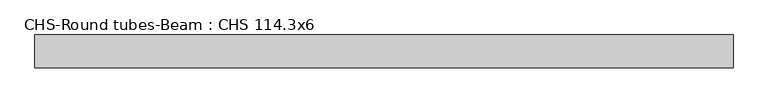
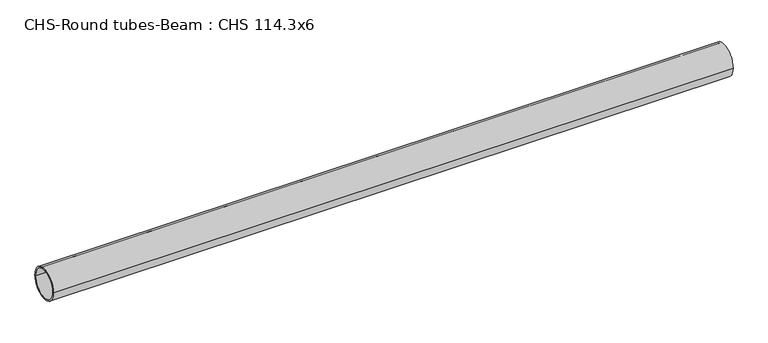
"""IFC4 building model written with IfcOpenShell, lengths in millimetres: beam geometry, CHS-Round tubes-Beam : CHS 114.3x6."""

from ifc_helpers import new_model, si_unit, point, frame, origin, origin_2d, place, context, project, spatial, circle_curve, trimmed, segment, composite_curve, outline, extrude, source, transform, mapped, element, save


def chs_round_tubes_beam_chs_114_3x6_02e6f198(model_context):
    return source(origin(), model_context, "Body", "SweptSolid", [
        extrude(outline(composite_curve([segment(trimmed(circle_curve(origin_2d(), 57.15), [point((57.15, 0.0))], [point((-57.15, 0.0))], False, "CARTESIAN"), True, "CONTINUOUS"), segment(trimmed(circle_curve(origin_2d(), 57.15), [point((-57.15, 0.0))], [point((57.15, 0.0))], False, "CARTESIAN"), True, "CONTINUOUS")], self_intersect=False), holes=[composite_curve([segment(trimmed(circle_curve(origin_2d(), 51.15), [point((51.15, 0.0))], [point((-51.15, 0.0))], True, "CARTESIAN"), True, "CONTINUOUS"), segment(trimmed(circle_curve(origin_2d(), 51.15), [point((-51.15, 0.0))], [point((51.15, 0.0))], True, "CARTESIAN"), True, "CONTINUOUS")], self_intersect=False)]), frame((-1053.9902704, 0.0, 0.0), z_axis=(1.0, 0.0, 0.0), x_axis=(0.0, 1.0, 0.0)), (0.0, 0.0, 1.0), 2437.4196907),
    ])


if __name__ == "__main__":
    model = new_model("IFC4")
    model_context = context("Model", 3, world=origin())
    ifc_project = project(units=[si_unit("LENGTHUNIT", "METRE", prefix="MILLI")], contexts=[model_context])
    site = spatial("IfcSite", under=ifc_project)
    building = spatial("IfcBuilding", under=site)
    placement = place(None, origin())
    chs_round_tubes_beam_chs_114_3x6_shape = chs_round_tubes_beam_chs_114_3x6_02e6f198(model_context)
    element("IfcBeam", 1, ObjectType="CHS-Round tubes-Beam : CHS 114.3x6", at=placement, inside=building, context=model_context, shape_type="MappedRepresentation", body=[
        mapped(chs_round_tubes_beam_chs_114_3x6_shape, transform((0.0, 0.0, 0.0), x_axis=(1.0, 0.0, 0.0), y_axis=(0.0, 1.0, 0.0), z_axis=(0.0, 0.0, 1.0))),
    ])
    save(model, "model.ifc")
